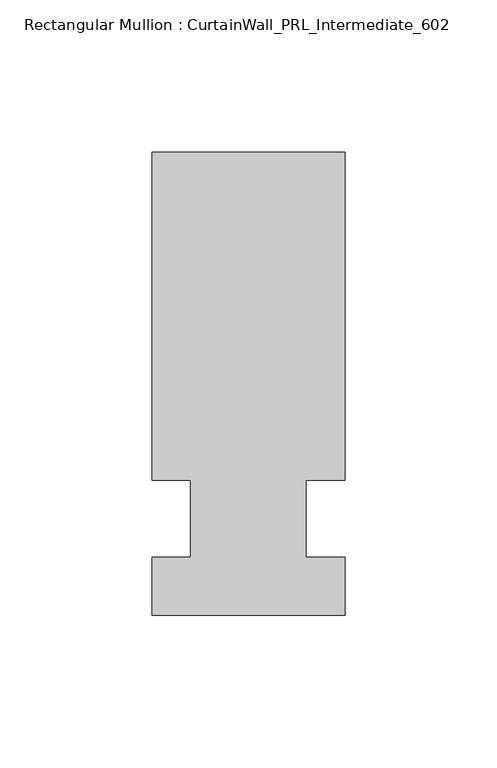
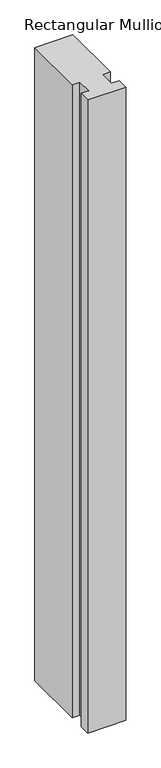
"""IFC4 building model written with IfcOpenShell, lengths in millimetres: member geometry, Rectangular Mullion : CurtainWall_PRL_Intermediate_602."""

import ifcopenshell
import ifcopenshell.guid

model = None  # the IFC model being written
_history = None  # IfcOwnerHistory: only IFC2X3 demands one
_inside = {}  # id of a spatial element -> (the spatial element, [elements in it])
_under = {}  # id of a project, library or spatial element -> (it, [spatial elements below it])
_declared = {}  # id of a project -> (the project, [libraries it declares])
_typed = {}  # id of a type object -> (the type object, [elements of that type])
_made_of = {}  # id of a material, layer set ... -> (it, [elements and type objects made of it])


def new_model(schema):
    """Start an empty IFC model of exactly this schema.

    Asked for "IFC4X3", IfcOpenShell would pick the latest addendum, in which some entities
    have other attributes; the version numbers below select the first issue.
    IFC2X3 requires an IfcOwnerHistory on every rooted entity: one is made here for all.
    """
    global model, _history
    if schema == "IFC4X3":
        model = ifcopenshell.file(schema_version=(4, 3, 0, 0))
    else:
        model = ifcopenshell.file(schema=schema)
    _inside.clear()
    _under.clear()
    _declared.clear()
    _typed.clear()
    _made_of.clear()
    _history = None
    if model.schema == "IFC2X3":
        org = make("IfcOrganization", Name="unknown")
        user = make(
            "IfcPersonAndOrganization",
            ThePerson=make("IfcPerson", FamilyName="unknown"),
            TheOrganization=org,
        )
        app = make(
            "IfcApplication",
            ApplicationDeveloper=org,
            Version="unknown",
            ApplicationFullName="unknown",
            ApplicationIdentifier="unknown",
        )
        _history = make(
            "IfcOwnerHistory",
            OwningUser=user,
            OwningApplication=app,
            ChangeAction="ADDED",
            CreationDate=0,
        )
    return model


def make(cls, **values):
    """One entity of the class cls with the attributes given. An attribute that is None is left unset."""
    return model.create_entity(
        cls, **{name: value for name, value in values.items() if value is not None}
    )


def rooted(cls, **values):
    """An entity with a GlobalId (a new one), such as an element, a storey or a relation."""
    return make(cls, GlobalId=ifcopenshell.guid.new(), OwnerHistory=_history, **values)


def si_unit(unit_type, name, prefix=None):
    """IfcSIUnit, for example si_unit("LENGTHUNIT", "METRE", prefix="MILLI")."""
    return make("IfcSIUnit", UnitType=unit_type, Prefix=prefix, Name=name)


def assignment(units):
    """IfcUnitAssignment: the units of a project."""
    return None if units is None else make("IfcUnitAssignment", Units=units)


def point(xyz):
    """IfcCartesianPoint."""
    return None if xyz is None else make("IfcCartesianPoint", Coordinates=xyz)


def direction(xyz):
    """IfcDirection."""
    return None if xyz is None else make("IfcDirection", DirectionRatios=xyz)


def frame(location, z_axis=None, x_axis=None):
    """IfcAxis2Placement3D, a coordinate frame: its origin and axes. An axis left out is left unset."""
    return make(
        "IfcAxis2Placement3D",
        Location=point(location),
        Axis=direction(z_axis),
        RefDirection=direction(x_axis),
    )


def origin():
    """The frame at (0, 0, 0) with its axes left unset."""
    return frame((0.0, 0.0, 0.0))


def place(relative_to, where):
    """IfcLocalPlacement: puts the frame where relative to a parent placement (None: the world)."""
    return make(
        "IfcLocalPlacement", PlacementRelTo=relative_to, RelativePlacement=where
    )


def context(
    kind, dimensions, precision=None, world=None, true_north=None, identifier=None
):
    """IfcGeometricRepresentationContext, for example the 3D "Model" context."""
    return make(
        "IfcGeometricRepresentationContext",
        ContextIdentifier=identifier,
        ContextType=kind,
        CoordinateSpaceDimension=dimensions,
        Precision=precision,
        WorldCoordinateSystem=world,
        TrueNorth=true_north,
    )


def project(units=None, contexts=None):
    """IfcProject with its units and contexts."""
    return rooted(
        "IfcProject",
        Name="project",
        RepresentationContexts=contexts,
        UnitsInContext=assignment(units),
    )


def spatial(cls, under=None, at=None, **own):
    """A site, building, storey or space (cls), placed at a placement, below another one or the project."""
    s = rooted(cls, ObjectPlacement=at, **own)
    if under is not None:
        _under.setdefault(under.id(), (under, []))[1].append(s)
    return s


def polyline(points):
    """IfcPolyline through the points."""
    return make("IfcPolyline", Points=[point(p) for p in points])


def outline(outer, holes=None, kind="AREA"):
    """IfcArbitraryClosedProfileDef: a profile drawn as a closed curve; with holes, ...WithVoids."""
    if holes is None:
        return make("IfcArbitraryClosedProfileDef", ProfileType=kind, OuterCurve=outer)
    return make(
        "IfcArbitraryProfileDefWithVoids",
        ProfileType=kind,
        OuterCurve=outer,
        InnerCurves=holes,
    )


def extrude(swept, where, along, depth):
    """IfcExtrudedAreaSolid: the profile swept, set in the frame where, extruded along a direction by depth."""
    return make(
        "IfcExtrudedAreaSolid",
        SweptArea=swept,
        Position=where,
        ExtrudedDirection=direction(along),
        Depth=depth,
    )


def shape(context_of_items, identifier, shape_type, items):
    """IfcShapeRepresentation: the items that make up one representation, for example the "Body"."""
    return make(
        "IfcShapeRepresentation",
        ContextOfItems=context_of_items,
        RepresentationIdentifier=identifier,
        RepresentationType=shape_type,
        Items=items,
    )


def source(mapping_origin, context_of_items, identifier, shape_type, items):
    """IfcRepresentationMap: a shape defined once, which mapped items show again and again."""
    return make(
        "IfcRepresentationMap",
        MappingOrigin=mapping_origin,
        MappedRepresentation=shape(context_of_items, identifier, shape_type, items),
    )


def transform(
    local_origin,
    x_axis=None,
    y_axis=None,
    z_axis=None,
    scale=None,
    scale2=None,
    scale3=None,
    uniform=True,
):
    """IfcCartesianTransformationOperator3D, or its non-uniform kind. x_axis, y_axis, z_axis: its Axis1, 2, 3."""
    if uniform:
        return make(
            "IfcCartesianTransformationOperator3D",
            Axis1=direction(x_axis),
            Axis2=direction(y_axis),
            LocalOrigin=point(local_origin),
            Scale=scale,
            Axis3=direction(z_axis),
        )
    return make(
        "IfcCartesianTransformationOperator3DnonUniform",
        Axis1=direction(x_axis),
        Axis2=direction(y_axis),
        LocalOrigin=point(local_origin),
        Scale=scale,
        Axis3=direction(z_axis),
        Scale2=scale2,
        Scale3=scale3,
    )


def mapped(mapping_source, mapping_target):
    """IfcMappedItem: shows the shape of a source again, moved by a transform."""
    return make(
        "IfcMappedItem", MappingSource=mapping_source, MappingTarget=mapping_target
    )


def made_of(thing, what):
    """Note that an element or type object is made of a material, layer set ...; save() writes the relation."""
    if what is not None:
        _made_of.setdefault(what.id(), (what, []))[1].append(thing)
    return thing


def element(
    cls,
    number,
    at=None,
    inside=None,
    cuts=None,
    type_object=None,
    material=None,
    context=None,
    identifier="Body",
    shape_type=None,
    held_by="IfcProductDefinitionShape",
    body=None,
    shapes=None,
    **own,
):
    """One element of the class cls, such as IfcWall. Its Tag is "e" and its number.

    at: its placement. inside: the storey or other place that contains it. cuts: it is an
    opening in that element (IfcRelVoidsElement). A single representation is given by context,
    identifier, shape_type and body (its items); several are given by shapes. held_by: the class
    of the entity that holds the representations. save() writes the other relations.
    """
    e = rooted(cls, Tag="e%d" % number, ObjectPlacement=at, **own)
    if body is not None:
        shapes = [shape(context, identifier, shape_type, body)]
    if shapes is not None:
        e.Representation = make(held_by, Representations=shapes)
    if inside is not None:
        _inside.setdefault(inside.id(), (inside, []))[1].append(e)
    if cuts is not None:
        rooted(
            "IfcRelVoidsElement", RelatingBuildingElement=cuts, RelatedOpeningElement=e
        )
    if type_object is not None:
        _typed.setdefault(type_object.id(), (type_object, []))[1].append(e)
    return made_of(e, material)


def aggregate(whole, parts):
    """IfcRelAggregates: a whole, such as a stair, and the parts it consists of."""
    return rooted("IfcRelAggregates", RelatingObject=whole, RelatedObjects=parts)


def save(model, path):
    """Write the relations noted so far, then the file.

    IfcRelAggregates (storeys below a building ...), IfcRelContainedInSpatialStructure (elements
    in a storey), IfcRelDefinesByType, IfcRelAssociatesMaterial and IfcRelDeclares: one each for
    every whole, place, type object, material and project.
    """
    for whole, parts in _under.values():
        aggregate(whole, parts)
    for where, things in _inside.values():
        rooted(
            "IfcRelContainedInSpatialStructure",
            RelatedElements=things,
            RelatingStructure=where,
        )
    for kind, things in _typed.values():
        rooted("IfcRelDefinesByType", RelatedObjects=things, RelatingType=kind)
    for what, things in _made_of.values():
        rooted("IfcRelAssociatesMaterial", RelatedObjects=things, RelatingMaterial=what)
    for by, libraries in _declared.values():
        rooted("IfcRelDeclares", RelatingContext=by, RelatedDefinitions=libraries)
    model.write(path)


def rectangular_mullion_curtainwall_prl_intermediate_602_6077298e(model_context):
    return source(origin(), model_context, "Body", "SweptSolid", [
        extrude(outline(polyline([(-19.05, 12.7), (-31.75, 12.7), (-31.75, 120.65), (31.75, 120.65), (31.75, 12.7), (19.05, 12.7), (19.05, -12.7), (31.75, -12.7), (31.75, -31.75), (-31.75, -31.75), (-31.75, -12.7), (-19.05, -12.7), (-19.05, 12.7)])), frame((0.0, 0.0, -1117.6), z_axis=(0.0, 0.0, 1.0), x_axis=(1.0, 0.0, 0.0)), (0.0, 0.0, 1.0), 1117.6),
    ])


if __name__ == "__main__":
    model = new_model("IFC4")
    model_context = context("Model", 3, world=origin())
    ifc_project = project(units=[si_unit("LENGTHUNIT", "METRE", prefix="MILLI")], contexts=[model_context])
    site = spatial("IfcSite", under=ifc_project)
    building = spatial("IfcBuilding", under=site)
    placement = place(None, origin())
    rectangular_mullion_curtainwall_prl_intermediate_602_shape = rectangular_mullion_curtainwall_prl_intermediate_602_6077298e(model_context)
    element("IfcMember", 1, ObjectType="Rectangular Mullion : CurtainWall_PRL_Intermediate_602", at=placement, inside=building, context=model_context, shape_type="MappedRepresentation", body=[
        mapped(rectangular_mullion_curtainwall_prl_intermediate_602_shape, transform((0.0, 0.0, 0.0), x_axis=(1.0, 0.0, 0.0), y_axis=(0.0, 1.0, 0.0), z_axis=(0.0, 0.0, 1.0))),
    ])
    save(model, "model.ifc")
